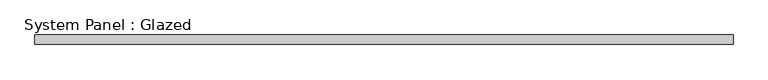
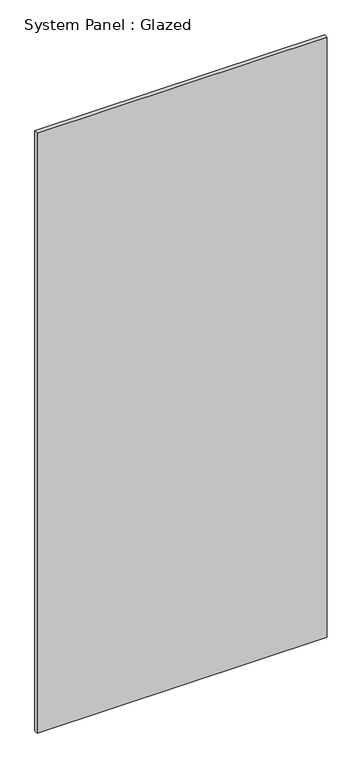
"""IFC4 building model written with IfcOpenShell, lengths in millimetres: plate geometry, System Panel : Glazed."""

from ifc_helpers import new_model, si_unit, origin, origin_with_axes, place, context, project, spatial, polyline, outline, extrude, source, transform, mapped, element, save


def system_panel_glazed_66cf68f7(model_context):
    return source(origin(), model_context, "Body", "SweptSolid", [
        extrude(outline(polyline([(915.0000002, 24.5), (-915.0000002, 24.5), (-915.0000002, 49.5), (915.0000002, 49.5), (915.0000002, 24.5)])), origin_with_axes(), (0.0, 0.0, 1.0), 4000.0),
    ])


if __name__ == "__main__":
    model = new_model("IFC4")
    model_context = context("Model", 3, world=origin())
    ifc_project = project(units=[si_unit("LENGTHUNIT", "METRE", prefix="MILLI")], contexts=[model_context])
    site = spatial("IfcSite", under=ifc_project)
    building = spatial("IfcBuilding", under=site)
    placement = place(None, origin())
    system_panel_glazed_shape = system_panel_glazed_66cf68f7(model_context)
    element("IfcPlate", 1, ObjectType="System Panel : Glazed", at=placement, inside=building, context=model_context, shape_type="MappedRepresentation", body=[
        mapped(system_panel_glazed_shape, transform((0.0, 0.0, 0.0), x_axis=(1.0, 0.0, 0.0), y_axis=(0.0, 1.0, 0.0), z_axis=(0.0, 0.0, 1.0))),
    ])
    save(model, "model.ifc")
